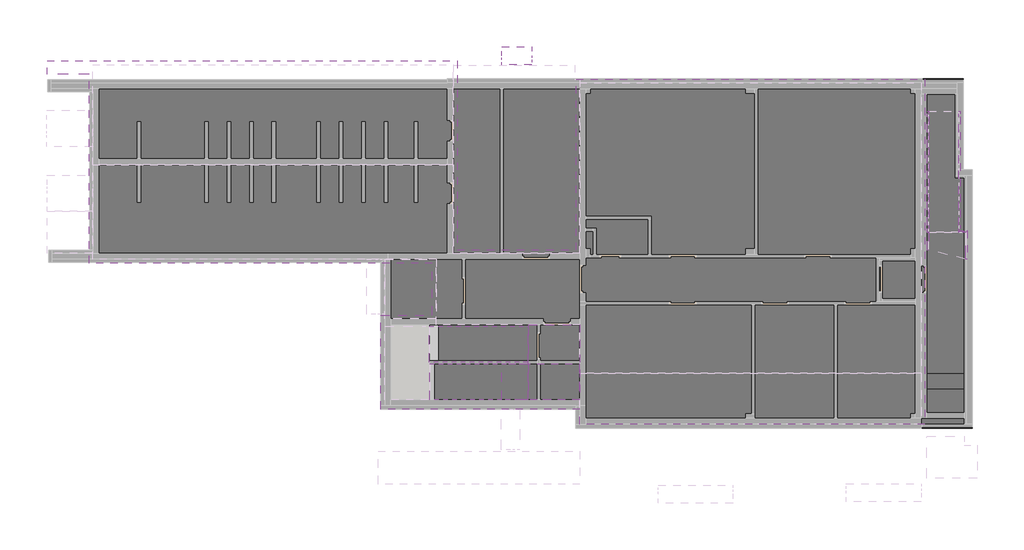
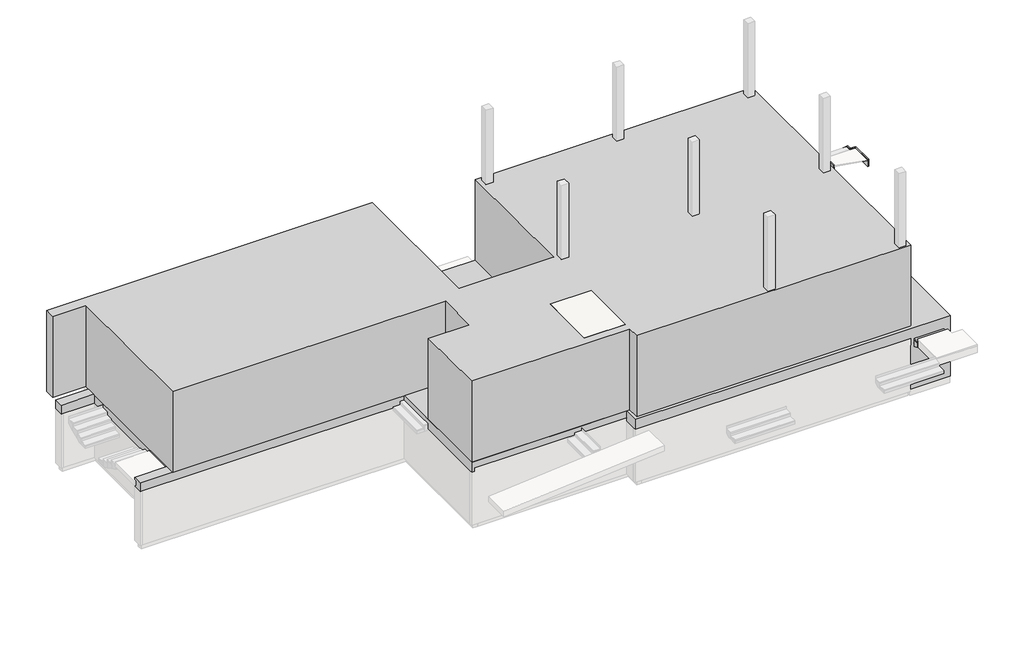
# One storey, part 3 of 3: 5 members, 5 stair flights, 2 proxies, 2 slabs.
"""IFC4 building model written with IfcOpenShell, lengths in millimetres."""

import ifcopenshell
import ifcopenshell.guid

model = None  # the IFC model being written
_history = None  # IfcOwnerHistory: only IFC2X3 demands one
_inside = {}  # id of a spatial element -> (the spatial element, [elements in it])
_under = {}  # id of a project, library or spatial element -> (it, [spatial elements below it])
_declared = {}  # id of a project -> (the project, [libraries it declares])
_typed = {}  # id of a type object -> (the type object, [elements of that type])
_made_of = {}  # id of a material, layer set ... -> (it, [elements and type objects made of it])


def new_model(schema):
    """Start an empty IFC model of exactly this schema.

    Asked for "IFC4X3", IfcOpenShell would pick the latest addendum, in which some entities
    have other attributes; the version numbers below select the first issue.
    IFC2X3 requires an IfcOwnerHistory on every rooted entity: one is made here for all.
    """
    global model, _history
    if schema == "IFC4X3":
        model = ifcopenshell.file(schema_version=(4, 3, 0, 0))
    else:
        model = ifcopenshell.file(schema=schema)
    _inside.clear()
    _under.clear()
    _declared.clear()
    _typed.clear()
    _made_of.clear()
    _history = None
    if model.schema == "IFC2X3":
        org = make("IfcOrganization", Name="unknown")
        user = make(
            "IfcPersonAndOrganization",
            ThePerson=make("IfcPerson", FamilyName="unknown"),
            TheOrganization=org,
        )
        app = make(
            "IfcApplication",
            ApplicationDeveloper=org,
            Version="unknown",
            ApplicationFullName="unknown",
            ApplicationIdentifier="unknown",
        )
        _history = make(
            "IfcOwnerHistory",
            OwningUser=user,
            OwningApplication=app,
            ChangeAction="ADDED",
            CreationDate=0,
        )
    return model


def make(cls, **values):
    """One entity of the class cls with the attributes given. An attribute that is None is left unset."""
    return model.create_entity(
        cls, **{name: value for name, value in values.items() if value is not None}
    )


def rooted(cls, **values):
    """An entity with a GlobalId (a new one), such as an element, a storey or a relation."""
    return make(cls, GlobalId=ifcopenshell.guid.new(), OwnerHistory=_history, **values)


def si_unit(unit_type, name, prefix=None):
    """IfcSIUnit, for example si_unit("LENGTHUNIT", "METRE", prefix="MILLI")."""
    return make("IfcSIUnit", UnitType=unit_type, Prefix=prefix, Name=name)


def assignment(units):
    """IfcUnitAssignment: the units of a project."""
    return None if units is None else make("IfcUnitAssignment", Units=units)


def point(xyz):
    """IfcCartesianPoint."""
    return None if xyz is None else make("IfcCartesianPoint", Coordinates=xyz)


def direction(xyz):
    """IfcDirection."""
    return None if xyz is None else make("IfcDirection", DirectionRatios=xyz)


def frame(location, z_axis=None, x_axis=None):
    """IfcAxis2Placement3D, a coordinate frame: its origin and axes. An axis left out is left unset."""
    return make(
        "IfcAxis2Placement3D",
        Location=point(location),
        Axis=direction(z_axis),
        RefDirection=direction(x_axis),
    )


def origin():
    """The frame at (0, 0, 0) with its axes left unset."""
    return frame((0.0, 0.0, 0.0))


def origin_with_axes():
    """The frame at (0, 0, 0) with the z axis (0, 0, 1) and the x axis (1, 0, 0) written out."""
    return frame((0.0, 0.0, 0.0), z_axis=(0.0, 0.0, 1.0), x_axis=(1.0, 0.0, 0.0))


def place(relative_to, where):
    """IfcLocalPlacement: puts the frame where relative to a parent placement (None: the world)."""
    return make(
        "IfcLocalPlacement", PlacementRelTo=relative_to, RelativePlacement=where
    )


def context(
    kind, dimensions, precision=None, world=None, true_north=None, identifier=None
):
    """IfcGeometricRepresentationContext, for example the 3D "Model" context."""
    return make(
        "IfcGeometricRepresentationContext",
        ContextIdentifier=identifier,
        ContextType=kind,
        CoordinateSpaceDimension=dimensions,
        Precision=precision,
        WorldCoordinateSystem=world,
        TrueNorth=true_north,
    )


def project(units=None, contexts=None):
    """IfcProject with its units and contexts."""
    return rooted(
        "IfcProject",
        Name="project",
        RepresentationContexts=contexts,
        UnitsInContext=assignment(units),
    )


def spatial(cls, under=None, at=None, **own):
    """A site, building, storey or space (cls), placed at a placement, below another one or the project."""
    s = rooted(cls, ObjectPlacement=at, **own)
    if under is not None:
        _under.setdefault(under.id(), (under, []))[1].append(s)
    return s


def polyline(points):
    """IfcPolyline through the points."""
    return make("IfcPolyline", Points=[point(p) for p in points])


def outline(outer, holes=None, kind="AREA"):
    """IfcArbitraryClosedProfileDef: a profile drawn as a closed curve; with holes, ...WithVoids."""
    if holes is None:
        return make("IfcArbitraryClosedProfileDef", ProfileType=kind, OuterCurve=outer)
    return make(
        "IfcArbitraryProfileDefWithVoids",
        ProfileType=kind,
        OuterCurve=outer,
        InnerCurves=holes,
    )


def extrude(swept, where, along, depth):
    """IfcExtrudedAreaSolid: the profile swept, set in the frame where, extruded along a direction by depth."""
    return make(
        "IfcExtrudedAreaSolid",
        SweptArea=swept,
        Position=where,
        ExtrudedDirection=direction(along),
        Depth=depth,
    )


def faces_of(points, faces, orient=None, outer=None):
    """IfcFace entities. A face is a list of loops; a loop is a list of indices into points, from 0.

    orient and outer hold one flag for each loop. By default every Orientation is true, the
    first loop of a face is its IfcFaceOuterBound and the others are IfcFaceBound.
    """
    made = []
    for i, loops in enumerate(faces):
        bounds = []
        for j, loop in enumerate(loops):
            is_outer = j == 0 if outer is None else outer[i][j]
            bounds.append(
                make(
                    "IfcFaceOuterBound" if is_outer else "IfcFaceBound",
                    Bound=make("IfcPolyLoop", Polygon=[points[k] for k in loop]),
                    Orientation=True if orient is None else orient[i][j],
                )
            )
        made.append(make("IfcFace", Bounds=bounds))
    return made


def faceted_brep(points, faces, orient=None, outer=None, voids=None):
    """IfcFacetedBrep: a solid bounded by flat faces; with voids (closed shells), ...WithVoids."""
    shared = [point(p) for p in points]
    hull = make("IfcClosedShell", CfsFaces=faces_of(shared, faces, orient, outer))
    if voids is None:
        return make("IfcFacetedBrep", Outer=hull)
    return make(
        "IfcFacetedBrepWithVoids",
        Outer=hull,
        Voids=[
            make(cls, CfsFaces=faces_of(shared, fs, o, b)) for cls, fs, o, b in voids
        ],
    )


def shape(context_of_items, identifier, shape_type, items):
    """IfcShapeRepresentation: the items that make up one representation, for example the "Body"."""
    return make(
        "IfcShapeRepresentation",
        ContextOfItems=context_of_items,
        RepresentationIdentifier=identifier,
        RepresentationType=shape_type,
        Items=items,
    )


def made_of(thing, what):
    """Note that an element or type object is made of a material, layer set ...; save() writes the relation."""
    if what is not None:
        _made_of.setdefault(what.id(), (what, []))[1].append(thing)
    return thing


def element(
    cls,
    number,
    at=None,
    inside=None,
    cuts=None,
    type_object=None,
    material=None,
    context=None,
    identifier="Body",
    shape_type=None,
    held_by="IfcProductDefinitionShape",
    body=None,
    shapes=None,
    **own,
):
    """One element of the class cls, such as IfcWall. Its Tag is "e" and its number.

    at: its placement. inside: the storey or other place that contains it. cuts: it is an
    opening in that element (IfcRelVoidsElement). A single representation is given by context,
    identifier, shape_type and body (its items); several are given by shapes. held_by: the class
    of the entity that holds the representations. save() writes the other relations.
    """
    e = rooted(cls, Tag="e%d" % number, ObjectPlacement=at, **own)
    if body is not None:
        shapes = [shape(context, identifier, shape_type, body)]
    if shapes is not None:
        e.Representation = make(held_by, Representations=shapes)
    if inside is not None:
        _inside.setdefault(inside.id(), (inside, []))[1].append(e)
    if cuts is not None:
        rooted(
            "IfcRelVoidsElement", RelatingBuildingElement=cuts, RelatedOpeningElement=e
        )
    if type_object is not None:
        _typed.setdefault(type_object.id(), (type_object, []))[1].append(e)
    return made_of(e, material)


def aggregate(whole, parts):
    """IfcRelAggregates: a whole, such as a stair, and the parts it consists of."""
    return rooted("IfcRelAggregates", RelatingObject=whole, RelatedObjects=parts)


def save(model, path):
    """Write the relations noted so far, then the file.

    IfcRelAggregates (storeys below a building ...), IfcRelContainedInSpatialStructure (elements
    in a storey), IfcRelDefinesByType, IfcRelAssociatesMaterial and IfcRelDeclares: one each for
    every whole, place, type object, material and project.
    """
    for whole, parts in _under.values():
        aggregate(whole, parts)
    for where, things in _inside.values():
        rooted(
            "IfcRelContainedInSpatialStructure",
            RelatedElements=things,
            RelatingStructure=where,
        )
    for kind, things in _typed.values():
        rooted("IfcRelDefinesByType", RelatedObjects=things, RelatingType=kind)
    for what, things in _made_of.values():
        rooted("IfcRelAssociatesMaterial", RelatedObjects=things, RelatingMaterial=what)
    for by, libraries in _declared.values():
        rooted("IfcRelDeclares", RelatingContext=by, RelatedDefinitions=libraries)
    model.write(path)


model = new_model("IFC4")

# Units and contexts
model_context = context("Model", 3, world=origin())
ifc_project = project(units=[si_unit("LENGTHUNIT", "METRE", prefix="MILLI")], contexts=[model_context])

# Site, building, storey
site = spatial("IfcSite", under=ifc_project)
building = spatial("IfcBuilding", under=site)
storey = spatial("IfcBuildingStorey", under=building, Elevation=-2700.0)

# Proxies
placement = place(None, origin())
element("IfcBuildingElementProxy", 1, Name="Mass", at=placement, inside=storey, context=model_context, shape_type="SweptSolid", body=[
    extrude(outline(polyline([(-1715.9332962, 11310.0), (11970.0, 11310.0), (11970.0, 5000.0), (15950.0, 5000.0), (15950.0, 10700.0), (27587.9990554, 10700.0), (27587.9990554, -820.0), (16070.0, -820.0), (16070.0, -320.0), (9430.291724, -320.0), (9430.291724, 2820.0), (11150.0, 2820.0), (11150.0, 4560.0), (-320.0, 4560.0), (-320.0, 10870.0), (-1715.9332962, 10870.0), (-1715.9332962, 11310.0)])), origin_with_axes(), (0.0, 0.0, 1.0), 3600.0),
])
element("IfcBuildingElementProxy", 2, Name="Mass", at=placement, inside=storey, context=model_context, shape_type="SweptSolid", body=[
    extrude(outline(polyline([(-300.0, 10280.0000008), (-1699.9999755, 10280.0000008), (-1699.9999755, 10680.0000008), (11650.0, 10680.0000008), (11650.0, 10710.0000008), (28870.0001713, 10710.0000008), (28870.0001713, 7679.9999048), (29169.9999881, 7679.9999048), (29169.9999881, -950.0), (15940.0, -950.0), (15940.0, -330.0), (9420.291724, -330.0), (9420.291724, 4580.0), (-1669.8806043, 4580.0), (-1669.8806043, 4980.0), (-300.0, 4980.0), (-300.0, 10280.0000008)])), frame((0.0, 0.0, -2700.0), z_axis=(0.0, 0.0, 1.0), x_axis=(1.0, 0.0, 0.0)), (0.0, 0.0, 1.0), 2700.0),
])

# Members
element("IfcMember", 3, at=placement, inside=storey, context=model_context, shape_type="Brep", body=[
    faceted_brep([(28729.9990554, 9630.1367173, -50.0), (28779.9990554, 9630.1367173, -50.0), (28779.9990554, 9445.8842415, -50.0), (28729.9990554, 9445.8842415, -50.0), (28779.9990554, 5825.5100023, 3570.0), (28729.9990554, 5825.5100023, 3570.0), (28729.9990554, 5580.7367173, 3570.0), (28739.0617086, 5580.7367173, 3570.0), (28739.0617086, 5630.1367173, 3570.0), (28779.9990554, 5630.1367173, 3570.0), (28729.9990554, 9630.1367173, 187.6084916), (28779.9990554, 9630.1367173, 187.6084916), (28779.9990554, 5630.1367173, 3342.2781368), (28729.9990554, 5580.7367173, 3386.1957542), (28739.0617086, 5630.1367173, 3342.2781368), (28739.0617086, 5580.7367173, 3386.1957542)], [[[0, 1, 2, 3]], [[4, 5, 6, 7, 8, 9]], [[10, 11, 1, 0]], [[5, 4, 11, 10]], [[1, 11, 4, 9, 12, 2]], [[13, 3, 2, 12, 14, 15]], [[6, 5, 10, 0, 3, 13]], [[6, 13, 15, 7]], [[14, 8, 7, 15]], [[8, 14, 12, 9]]]),
])
element("IfcMember", 4, at=placement, inside=storey, context=model_context, shape_type="SweptSolid", body=[
    extrude(outline(polyline([(9630.1367173, 187.6084916), (9630.1367173, -50.0), (9445.8842415, -50.0), (5580.7367173, 3386.1957542), (5580.7367173, 3570.0), (5825.5100023, 3570.0), (9630.1367173, 187.6084916)])), frame((27679.9990554, 0.0, 0.0), z_axis=(1.0, 0.0, 0.0), x_axis=(0.0, 1.0, 0.0)), (0.0, 0.0, 1.0), 50.0),
])
element("IfcMember", 5, at=placement, inside=storey, context=model_context, shape_type="SweptSolid", body=[
    extrude(outline(polyline([(29009.0617086, 4690.3333696), (28959.0617086, 4690.3333696), (28959.0617086, 5580.1367173), (29009.0617086, 5630.1367173), (29009.0617086, 4690.3333696)])), frame((0.0, 0.0, 3270.0), z_axis=(0.0, 0.0, 1.0), x_axis=(1.0, 0.0, 0.0)), (0.0, 0.0, 1.0), 300.0),
])
element("IfcMember", 6, at=placement, inside=storey, context=model_context, shape_type="SweptSolid", body=[
    extrude(outline(polyline([(27679.9990554, 5580.1367173), (27729.9990554, 5580.1367173), (27729.9990554, 4987.6937015), (27679.9990554, 4987.6937015), (27679.9990554, 5580.1367173)])), frame((0.0, 0.0, 3270.0), z_axis=(0.0, 0.0, 1.0), x_axis=(1.0, 0.0, 0.0)), (0.0, 0.0, 1.0), 300.0),
])
element("IfcMember", 7, at=placement, inside=storey, context=model_context, shape_type="Brep", body=[
    faceted_brep([(28739.0617086, 5630.1367173, 3570.0), (28739.0617086, 5630.1367173, 3342.2781368), (28739.0617086, 5630.1367173, 3270.0), (28739.0617086, 5580.1367173, 3270.0), (28739.0617086, 5580.1367173, 3570.0), (28739.0617086, 5580.7367173, 3570.0), (28959.0617086, 5580.1367173, 3570.0), (29009.0617086, 5630.1367173, 3570.0), (28779.9990554, 5630.1367173, 3570.0), (28959.0617086, 5580.1367173, 3270.0), (29009.0617086, 5630.1367173, 3270.0)], [[[0, 1, 2, 3, 4, 5]], [[6, 7, 8, 0, 5, 4]], [[9, 6, 4, 3]], [[10, 9, 3, 2]], [[7, 10, 2, 1, 0, 8]], [[7, 6, 9, 10]]]),
])

# Slabs
element("IfcSlab", 8, at=placement, inside=storey, context=model_context, shape_type="Brep", body=[
    faceted_brep([(14355.5759675, 1200.0, 3600.0), (14355.5759675, 0.0, 3600.0), (14590.9861641, 0.0, 3600.0), (16075.5759675, 0.0, 3600.0), (16075.5759675, 2500.0, 3600.0), (14355.5759675, 2500.0, 3600.0), (14355.5759675, 0.0, 3450.0), (14355.5759675, 0.0, 3282.2949017), (14590.9861641, 0.0, 3400.0), (16075.5759675, 0.0, 3400.0), (16075.5759675, 2500.0, 3400.0), (14355.5759675, 2500.0, 3400.0), (14590.9861641, 1200.0, 3400.0), (14355.5759675, 1200.0, 3400.0), (14355.5759675, 1200.0, 3282.2949017)], [[[0, 1, 2, 3, 4, 5]], [[1, 6, 7, 8, 9, 3, 2]], [[4, 3, 9, 10]], [[5, 4, 10, 11]], [[8, 12, 13, 11, 10, 9]], [[1, 0, 13, 14, 7, 6]], [[0, 5, 11, 13]], [[12, 8, 7, 14]], [[13, 12, 14]]]),
])
element("IfcSlab", 9, at=placement, inside=storey, context=model_context, shape_type="SolidModel", body=[
    faceted_brep([(13468.0759675, 1200.0, -50.0), (13468.0759675, 0.0, -50.0), (13703.4861641, 0.0, -50.0), (16055.5759675, 0.0, -50.0), (16055.5759675, 1200.0, -50.0), (13703.4861641, 1200.0, -50.0), (13468.0759675, 0.0, -200.0), (13468.0759675, 0.0, -367.7050983), (13703.4861641, 0.0, -250.0), (16055.5759675, 0.0, -250.0), (16055.5759675, 1200.0, -250.0), (13468.0759675, 1200.0, -367.7050983), (13468.0759675, 1200.0, -200.0), (13703.4861641, 1200.0, -250.0)], [[[0, 1, 2, 3, 4, 5]], [[1, 6, 7, 8, 9, 3, 2]], [[4, 3, 9, 10]], [[11, 12, 0, 5, 4, 10, 13]], [[8, 13, 10, 9]], [[1, 0, 12, 11, 7, 6]], [[13, 8, 7, 11]]]),
    extrude(outline(polyline([(13455.5759675, 1200.0), (16055.5759675, 1200.0), (16055.5759675, 0.0), (13455.5759675, 0.0), (13455.5759675, 1200.0)])), frame((0.0, 0.0, -50.0), z_axis=(0.0, 0.0, 1.0), x_axis=(1.0, 0.0, 0.0)), (0.0, 0.0, 1.0), 50.0),
])

# Stair flights
element("IfcStairFlight", 10, at=placement, inside=storey, context=model_context, shape_type="SolidModel", body=[
    faceted_brep([(28904.9999881, 2957.4999994, -2603.125), (28904.9999881, 3257.4999994, -2603.125), (27649.9990554, 3257.4999994, -2603.125), (27649.9990554, 2957.4999994, -2603.125), (28904.9999881, 2957.4999994, -2700.0), (28904.9999881, 3257.4999994, -2700.0), (27649.9990554, 3257.4999994, -2700.0), (27649.9990554, 2957.4999994, -2700.0), (28904.9999881, 2657.4999994, -2456.25), (28904.9999881, 2957.4999994, -2456.25), (27649.9990554, 2957.4999994, -2456.25), (27649.9990554, 2657.4999994, -2456.25), (28904.9999881, 2657.4999994, -2623.2621744), (28904.9999881, 2814.2410899, -2700.0), (27649.9990554, 2814.2410899, -2700.0), (27649.9990554, 2657.4999994, -2623.2621744), (28904.9999881, 2357.4999994, -2309.375), (28904.9999881, 2657.4999994, -2309.375), (27649.9990554, 2657.4999994, -2309.375), (27649.9990554, 2357.4999994, -2309.375), (28904.9999881, 2357.4999994, -2476.3871744), (27649.9990554, 2357.4999994, -2476.3871744), (28904.9999881, 2057.4999994, -2162.5), (28904.9999881, 2357.4999994, -2162.5), (27649.9990554, 2357.4999994, -2162.5), (27649.9990554, 2057.4999994, -2162.5), (28904.9999881, 2057.4999994, -2329.5121744), (27649.9990554, 2057.4999994, -2329.5121744), (28904.9999881, 1757.4999994, -2015.625), (28904.9999881, 2057.4999994, -2015.625), (27649.9990554, 2057.4999994, -2015.625), (27649.9990554, 1757.4999994, -2015.625), (28904.9999881, 1757.4999994, -2182.6371744), (27649.9990554, 1757.4999994, -2182.6371744), (28904.9999881, 1457.4999994, -1868.75), (28904.9999881, 1757.4999994, -1868.75), (27649.9990554, 1757.4999994, -1868.75), (27649.9990554, 1457.4999994, -1868.75), (28904.9999881, 1457.4999994, -2035.7621744), (27649.9990554, 1457.4999994, -2035.7621744), (28904.9999881, 1157.4999994, -1721.875), (28904.9999881, 1457.4999994, -1721.875), (27649.9990554, 1457.4999994, -1721.875), (27649.9990554, 1157.4999994, -1721.875), (28904.9999881, 1157.4999994, -1888.8871744), (27649.9990554, 1157.4999994, -1888.8871744), (28904.9999881, 857.4999994, -1575.0), (28904.9999881, 1157.4999994, -1575.0), (27649.9990554, 1157.4999994, -1575.0), (27649.9990554, 857.4999994, -1575.0), (28904.9999881, 857.4999994, -1742.0121744), (27649.9990554, 857.4999994, -1742.0121744), (28904.9999881, 557.4999994, -1428.125), (28904.9999881, 857.4999994, -1428.125), (27649.9990554, 857.4999994, -1428.125), (27649.9990554, 557.4999994, -1428.125), (28904.9999881, 557.4999994, -1595.1371744), (27649.9990554, 557.4999994, -1595.1371744), (28904.9999881, 257.4999994, -1281.25), (28904.9999881, 557.4999994, -1281.25), (27649.9990554, 557.4999994, -1281.25), (27649.9990554, 257.4999994, -1281.25), (28904.9999881, 257.4999994, -1448.2621744), (27649.9990554, 257.4999994, -1448.2621744), (28904.9999881, -42.5000006, -1134.375), (28904.9999881, 257.4999994, -1134.375), (27649.9990554, 257.4999994, -1134.375), (27649.9990554, -42.5000006, -1134.375), (28904.9999881, -42.5000006, -1301.3871744), (27649.9990554, -42.5000006, -1301.3871744), (28904.9999881, -342.5000006, -987.5), (28904.9999881, -42.5000006, -987.5), (27649.9990554, -42.5000006, -987.5), (27649.9990554, -342.5000006, -987.5), (28904.9999881, -342.5000006, -1154.5121744), (27649.9990554, -342.5000006, -1154.5121744), (28904.9999881, -642.5000006, -840.625), (28904.9999881, -342.5000006, -840.625), (27649.9990554, -342.5000006, -840.625), (27649.9990554, -642.5000006, -840.625), (28904.9999881, -642.5000006, -1007.6371744), (27649.9990554, -642.5000006, -1007.6371744), (28904.9999881, -942.5000006, -693.75), (28904.9999881, -642.5000006, -693.75), (27649.9990554, -642.5000006, -693.75), (27649.9990554, -942.5000006, -693.75), (28904.9999881, -942.5000006, -860.7621744), (27649.9990554, -942.5000006, -860.7621744), (28904.9999881, -942.5000006, -546.875), (27649.9990554, -942.5000006, -546.875), (27649.9990554, -1230.0000006, -546.875), (27649.9990554, -1242.5000006, -546.875), (28904.9999881, -1242.5000006, -546.875), (28904.9999881, -1230.0000006, -546.875), (28904.9999881, -1242.5000006, -713.8871744), (28904.9999881, -1230.0000006, -720.0069661), (27649.9990554, -1230.0000006, -720.0069661), (27649.9990554, -1242.5000006, -713.8871744)], [[[0, 1, 2, 3]], [[1, 0, 4, 5]], [[2, 1, 5, 6]], [[3, 2, 6, 7]], [[8, 9, 10, 11]], [[4, 0, 9, 8, 12, 13]], [[0, 3, 10, 9]], [[3, 7, 14, 15, 11, 10]], [[16, 17, 18, 19]], [[17, 16, 20, 12, 8]], [[8, 11, 18, 17]], [[19, 18, 11, 15, 21]], [[22, 23, 24, 25]], [[23, 22, 26, 20, 16]], [[16, 19, 24, 23]], [[25, 24, 19, 21, 27]], [[28, 29, 30, 31]], [[29, 28, 32, 26, 22]], [[22, 25, 30, 29]], [[31, 30, 25, 27, 33]], [[34, 35, 36, 37]], [[35, 34, 38, 32, 28]], [[28, 31, 36, 35]], [[37, 36, 31, 33, 39]], [[40, 41, 42, 43]], [[41, 40, 44, 38, 34]], [[34, 37, 42, 41]], [[43, 42, 37, 39, 45]], [[46, 47, 48, 49]], [[47, 46, 50, 44, 40]], [[40, 43, 48, 47]], [[49, 48, 43, 45, 51]], [[52, 53, 54, 55]], [[53, 52, 56, 50, 46]], [[46, 49, 54, 53]], [[55, 54, 49, 51, 57]], [[58, 59, 60, 61]], [[59, 58, 62, 56, 52]], [[52, 55, 60, 59]], [[61, 60, 55, 57, 63]], [[64, 65, 66, 67]], [[65, 64, 68, 62, 58]], [[58, 61, 66, 65]], [[67, 66, 61, 63, 69]], [[70, 71, 72, 73]], [[71, 70, 74, 68, 64]], [[64, 67, 72, 71]], [[73, 72, 67, 69, 75]], [[76, 77, 78, 79]], [[77, 76, 80, 74, 70]], [[70, 73, 78, 77]], [[79, 78, 73, 75, 81]], [[82, 83, 84, 85]], [[83, 82, 86, 80, 76]], [[76, 79, 84, 83]], [[85, 84, 79, 81, 87]], [[88, 89, 90, 91, 92, 93]], [[82, 88, 93, 92, 94, 95, 86]], [[82, 85, 89, 88]], [[89, 85, 87, 96, 97, 91, 90]], [[92, 91, 97, 94]], [[5, 4, 13, 14, 7, 6]], [[14, 13, 12, 20, 26, 32, 38, 44, 50, 56, 62, 68, 74, 80, 86, 95, 94, 97, 96, 87, 81, 75, 69, 63, 57, 51, 45, 39, 33, 27, 21, 15]]]),
    extrude(outline(polyline([(27649.9990554, 3257.4999994), (27649.9990554, 3269.9999994), (28904.9999881, 3269.9999994), (28904.9999881, 3257.4999994), (27649.9990554, 3257.4999994)])), frame((0.0, 0.0, -2700.0), z_axis=(0.0, 0.0, 1.0), x_axis=(1.0, 0.0, 0.0)), (0.0, 0.0, 1.0), 96.875),
    extrude(outline(polyline([(28904.9999881, 2969.9999994), (27649.9990554, 2969.9999994), (27649.9990554, 3269.9999994), (28904.9999881, 3269.9999994), (28904.9999881, 2969.9999994)])), frame((0.0, 0.0, -2603.125), z_axis=(0.0, 0.0, 1.0), x_axis=(1.0, 0.0, 0.0)), (0.0, 0.0, 1.0), 50.0),
    extrude(outline(polyline([(27649.9990554, 2957.4999994), (27649.9990554, 2969.9999994), (28904.9999881, 2969.9999994), (28904.9999881, 2957.4999994), (27649.9990554, 2957.4999994)])), frame((0.0, 0.0, -2603.125), z_axis=(0.0, 0.0, 1.0), x_axis=(1.0, 0.0, 0.0)), (0.0, 0.0, 1.0), 146.875),
    extrude(outline(polyline([(28904.9999881, 2669.9999994), (27649.9990554, 2669.9999994), (27649.9990554, 2969.9999994), (28904.9999881, 2969.9999994), (28904.9999881, 2669.9999994)])), frame((0.0, 0.0, -2456.25), z_axis=(0.0, 0.0, 1.0), x_axis=(1.0, 0.0, 0.0)), (0.0, 0.0, 1.0), 50.0),
    extrude(outline(polyline([(27649.9990554, 2657.4999994), (27649.9990554, 2669.9999994), (28904.9999881, 2669.9999994), (28904.9999881, 2657.4999994), (27649.9990554, 2657.4999994)])), frame((0.0, 0.0, -2456.25), z_axis=(0.0, 0.0, 1.0), x_axis=(1.0, 0.0, 0.0)), (0.0, 0.0, 1.0), 146.875),
    extrude(outline(polyline([(28904.9999881, 2369.9999994), (27649.9990554, 2369.9999994), (27649.9990554, 2669.9999994), (28904.9999881, 2669.9999994), (28904.9999881, 2369.9999994)])), frame((0.0, 0.0, -2309.375), z_axis=(0.0, 0.0, 1.0), x_axis=(1.0, 0.0, 0.0)), (0.0, 0.0, 1.0), 50.0),
    extrude(outline(polyline([(27649.9990554, 2357.4999994), (27649.9990554, 2369.9999994), (28904.9999881, 2369.9999994), (28904.9999881, 2357.4999994), (27649.9990554, 2357.4999994)])), frame((0.0, 0.0, -2309.375), z_axis=(0.0, 0.0, 1.0), x_axis=(1.0, 0.0, 0.0)), (0.0, 0.0, 1.0), 146.875),
    extrude(outline(polyline([(28904.9999881, 2069.9999994), (27649.9990554, 2069.9999994), (27649.9990554, 2369.9999994), (28904.9999881, 2369.9999994), (28904.9999881, 2069.9999994)])), frame((0.0, 0.0, -2162.5), z_axis=(0.0, 0.0, 1.0), x_axis=(1.0, 0.0, 0.0)), (0.0, 0.0, 1.0), 50.0),
    extrude(outline(polyline([(27649.9990554, 2057.4999994), (27649.9990554, 2069.9999994), (28904.9999881, 2069.9999994), (28904.9999881, 2057.4999994), (27649.9990554, 2057.4999994)])), frame((0.0, 0.0, -2162.5), z_axis=(0.0, 0.0, 1.0), x_axis=(1.0, 0.0, 0.0)), (0.0, 0.0, 1.0), 146.875),
    extrude(outline(polyline([(28904.9999881, 1769.9999994), (27649.9990554, 1769.9999994), (27649.9990554, 2069.9999994), (28904.9999881, 2069.9999994), (28904.9999881, 1769.9999994)])), frame((0.0, 0.0, -2015.625), z_axis=(0.0, 0.0, 1.0), x_axis=(1.0, 0.0, 0.0)), (0.0, 0.0, 1.0), 50.0),
    extrude(outline(polyline([(27649.9990554, 1757.4999994), (27649.9990554, 1769.9999994), (28904.9999881, 1769.9999994), (28904.9999881, 1757.4999994), (27649.9990554, 1757.4999994)])), frame((0.0, 0.0, -2015.625), z_axis=(0.0, 0.0, 1.0), x_axis=(1.0, 0.0, 0.0)), (0.0, 0.0, 1.0), 146.875),
    extrude(outline(polyline([(28904.9999881, 1469.9999994), (27649.9990554, 1469.9999994), (27649.9990554, 1769.9999994), (28904.9999881, 1769.9999994), (28904.9999881, 1469.9999994)])), frame((0.0, 0.0, -1868.75), z_axis=(0.0, 0.0, 1.0), x_axis=(1.0, 0.0, 0.0)), (0.0, 0.0, 1.0), 50.0),
    extrude(outline(polyline([(27649.9990554, 1457.4999994), (27649.9990554, 1469.9999994), (28904.9999881, 1469.9999994), (28904.9999881, 1457.4999994), (27649.9990554, 1457.4999994)])), frame((0.0, 0.0, -1868.75), z_axis=(0.0, 0.0, 1.0), x_axis=(1.0, 0.0, 0.0)), (0.0, 0.0, 1.0), 146.875),
    extrude(outline(polyline([(28904.9999881, 1169.9999994), (27649.9990554, 1169.9999994), (27649.9990554, 1469.9999994), (28904.9999881, 1469.9999994), (28904.9999881, 1169.9999994)])), frame((0.0, 0.0, -1721.875), z_axis=(0.0, 0.0, 1.0), x_axis=(1.0, 0.0, 0.0)), (0.0, 0.0, 1.0), 50.0),
    extrude(outline(polyline([(27649.9990554, 1157.4999994), (27649.9990554, 1169.9999994), (28904.9999881, 1169.9999994), (28904.9999881, 1157.4999994), (27649.9990554, 1157.4999994)])), frame((0.0, 0.0, -1721.875), z_axis=(0.0, 0.0, 1.0), x_axis=(1.0, 0.0, 0.0)), (0.0, 0.0, 1.0), 146.875),
    extrude(outline(polyline([(28904.9999881, 869.9999994), (27649.9990554, 869.9999994), (27649.9990554, 1169.9999994), (28904.9999881, 1169.9999994), (28904.9999881, 869.9999994)])), frame((0.0, 0.0, -1575.0), z_axis=(0.0, 0.0, 1.0), x_axis=(1.0, 0.0, 0.0)), (0.0, 0.0, 1.0), 50.0),
    extrude(outline(polyline([(27649.9990554, 857.4999994), (27649.9990554, 869.9999994), (28904.9999881, 869.9999994), (28904.9999881, 857.4999994), (27649.9990554, 857.4999994)])), frame((0.0, 0.0, -1575.0), z_axis=(0.0, 0.0, 1.0), x_axis=(1.0, 0.0, 0.0)), (0.0, 0.0, 1.0), 146.875),
    extrude(outline(polyline([(28904.9999881, 569.9999994), (27649.9990554, 569.9999994), (27649.9990554, 869.9999994), (28904.9999881, 869.9999994), (28904.9999881, 569.9999994)])), frame((0.0, 0.0, -1428.125), z_axis=(0.0, 0.0, 1.0), x_axis=(1.0, 0.0, 0.0)), (0.0, 0.0, 1.0), 50.0),
    extrude(outline(polyline([(27649.9990554, 557.4999994), (27649.9990554, 569.9999994), (28904.9999881, 569.9999994), (28904.9999881, 557.4999994), (27649.9990554, 557.4999994)])), frame((0.0, 0.0, -1428.125), z_axis=(0.0, 0.0, 1.0), x_axis=(1.0, 0.0, 0.0)), (0.0, 0.0, 1.0), 146.875),
    extrude(outline(polyline([(28904.9999881, 269.9999994), (27649.9990554, 269.9999994), (27649.9990554, 569.9999994), (28904.9999881, 569.9999994), (28904.9999881, 269.9999994)])), frame((0.0, 0.0, -1281.25), z_axis=(0.0, 0.0, 1.0), x_axis=(1.0, 0.0, 0.0)), (0.0, 0.0, 1.0), 50.0),
    extrude(outline(polyline([(27649.9990554, 257.4999994), (27649.9990554, 269.9999994), (28904.9999881, 269.9999994), (28904.9999881, 257.4999994), (27649.9990554, 257.4999994)])), frame((0.0, 0.0, -1281.25), z_axis=(0.0, 0.0, 1.0), x_axis=(1.0, 0.0, 0.0)), (0.0, 0.0, 1.0), 146.875),
    extrude(outline(polyline([(28904.9999881, -30.0000006), (27649.9990554, -30.0000006), (27649.9990554, 269.9999994), (28904.9999881, 269.9999994), (28904.9999881, -30.0000006)])), frame((0.0, 0.0, -1134.375), z_axis=(0.0, 0.0, 1.0), x_axis=(1.0, 0.0, 0.0)), (0.0, 0.0, 1.0), 50.0),
    extrude(outline(polyline([(27649.9990554, -42.5000006), (27649.9990554, -30.0000006), (28904.9999881, -30.0000006), (28904.9999881, -42.5000006), (27649.9990554, -42.5000006)])), frame((0.0, 0.0, -1134.375), z_axis=(0.0, 0.0, 1.0), x_axis=(1.0, 0.0, 0.0)), (0.0, 0.0, 1.0), 146.875),
    extrude(outline(polyline([(28904.9999881, -330.0000006), (27649.9990554, -330.0000006), (27649.9990554, -30.0000006), (28904.9999881, -30.0000006), (28904.9999881, -330.0000006)])), frame((0.0, 0.0, -987.5), z_axis=(0.0, 0.0, 1.0), x_axis=(1.0, 0.0, 0.0)), (0.0, 0.0, 1.0), 50.0),
    extrude(outline(polyline([(27649.9990554, -342.5000006), (27649.9990554, -330.0000006), (28904.9999881, -330.0000006), (28904.9999881, -342.5000006), (27649.9990554, -342.5000006)])), frame((0.0, 0.0, -987.5), z_axis=(0.0, 0.0, 1.0), x_axis=(1.0, 0.0, 0.0)), (0.0, 0.0, 1.0), 146.875),
    extrude(outline(polyline([(28904.9999881, -630.0000006), (27649.9990554, -630.0000006), (27649.9990554, -330.0000006), (28904.9999881, -330.0000006), (28904.9999881, -630.0000006)])), frame((0.0, 0.0, -840.625), z_axis=(0.0, 0.0, 1.0), x_axis=(1.0, 0.0, 0.0)), (0.0, 0.0, 1.0), 50.0),
    extrude(outline(polyline([(27649.9990554, -642.5000006), (27649.9990554, -630.0000006), (28904.9999881, -630.0000006), (28904.9999881, -642.5000006), (27649.9990554, -642.5000006)])), frame((0.0, 0.0, -840.625), z_axis=(0.0, 0.0, 1.0), x_axis=(1.0, 0.0, 0.0)), (0.0, 0.0, 1.0), 146.875),
    extrude(outline(polyline([(28904.9999881, -930.0000006), (27649.9990554, -930.0000006), (27649.9990554, -630.0000006), (28904.9999881, -630.0000006), (28904.9999881, -930.0000006)])), frame((0.0, 0.0, -693.75), z_axis=(0.0, 0.0, 1.0), x_axis=(1.0, 0.0, 0.0)), (0.0, 0.0, 1.0), 50.0),
    extrude(outline(polyline([(27649.9990554, -942.5000006), (27649.9990554, -930.0000006), (28904.9999881, -930.0000006), (28904.9999881, -942.5000006), (27649.9990554, -942.5000006)])), frame((0.0, 0.0, -693.75), z_axis=(0.0, 0.0, 1.0), x_axis=(1.0, 0.0, 0.0)), (0.0, 0.0, 1.0), 146.875),
    extrude(outline(polyline([(27649.9990554, -1242.5000006), (27649.9990554, -1230.0000006), (28904.9999881, -1230.0000006), (28904.9999881, -1242.5000006), (27649.9990554, -1242.5000006)])), frame((0.0, 0.0, -546.875), z_axis=(0.0, 0.0, 1.0), x_axis=(1.0, 0.0, 0.0)), (0.0, 0.0, 1.0), 146.875),
    extrude(outline(polyline([(28904.9999881, -1230.0000006), (27649.9990554, -1230.0000006), (27649.9990554, -930.0000006), (28904.9999881, -930.0000006), (28904.9999881, -1230.0000006)])), frame((0.0, 0.0, -546.875), z_axis=(0.0, 0.0, 1.0), x_axis=(1.0, 0.0, 0.0)), (0.0, 0.0, 1.0), 50.0),
])
element("IfcStairFlight", 11, at=placement, inside=storey, context=model_context, shape_type="SolidModel", body=[
    faceted_brep([(13137.791724, 1300.0, -2600.0), (13437.791724, 1300.0, -2600.0), (13437.791724, 2500.0, -2600.0), (13137.791724, 2500.0, -2600.0), (13137.791724, 1300.0, -2700.0), (13437.791724, 1300.0, -2700.0), (13437.791724, 2500.0, -2700.0), (13137.791724, 2500.0, -2700.0), (12837.791724, 1300.0, -2450.0), (13137.791724, 1300.0, -2450.0), (13137.791724, 2500.0, -2450.0), (12837.791724, 2500.0, -2450.0), (12837.791724, 1300.0, -2617.7050983), (13002.3815273, 1300.0, -2700.0), (13002.3815273, 2500.0, -2700.0), (12837.791724, 2500.0, -2617.7050983), (12537.791724, 1300.0, -2300.0), (12837.791724, 1300.0, -2300.0), (12837.791724, 2500.0, -2300.0), (12537.791724, 2500.0, -2300.0), (12537.791724, 1300.0, -2467.7050983), (12537.791724, 2500.0, -2467.7050983), (12237.791724, 1300.0, -2150.0), (12537.791724, 1300.0, -2150.0), (12537.791724, 2500.0, -2150.0), (12237.791724, 2500.0, -2150.0), (12237.791724, 1300.0, -2317.7050983), (12237.791724, 2500.0, -2317.7050983), (11937.791724, 1300.0, -2000.0), (12237.791724, 1300.0, -2000.0), (12237.791724, 2500.0, -2000.0), (11937.791724, 2500.0, -2000.0), (11937.791724, 1300.0, -2167.7050983), (11937.791724, 2500.0, -2167.7050983), (11637.791724, 1300.0, -1850.0), (11937.791724, 1300.0, -1850.0), (11937.791724, 2500.0, -1850.0), (11637.791724, 2500.0, -1850.0), (11637.791724, 1300.0, -2017.7050983), (11637.791724, 2500.0, -2017.7050983), (11337.791724, 1300.0, -1700.0), (11637.791724, 1300.0, -1700.0), (11637.791724, 2500.0, -1700.0), (11337.791724, 2500.0, -1700.0), (11337.791724, 1300.0, -1867.7050983), (11337.791724, 2500.0, -1867.7050983), (11337.791724, 1300.0, -1550.0), (11337.791724, 2500.0, -1550.0), (11050.291724, 2500.0, -1550.0), (11037.791724, 2500.0, -1550.0), (11037.791724, 1300.0, -1550.0), (11050.291724, 1300.0, -1550.0), (11037.791724, 1300.0, -1600.0), (11037.791724, 1300.0, -1717.7050983), (11050.291724, 2500.0, -1723.9550983), (11037.791724, 2500.0, -1717.7050983)], [[[0, 1, 2, 3]], [[1, 0, 4, 5]], [[2, 1, 5, 6]], [[3, 2, 6, 7]], [[8, 9, 10, 11]], [[4, 0, 9, 8, 12, 13]], [[0, 3, 10, 9]], [[3, 7, 14, 15, 11, 10]], [[16, 17, 18, 19]], [[17, 16, 20, 12, 8]], [[8, 11, 18, 17]], [[19, 18, 11, 15, 21]], [[22, 23, 24, 25]], [[23, 22, 26, 20, 16]], [[16, 19, 24, 23]], [[25, 24, 19, 21, 27]], [[28, 29, 30, 31]], [[29, 28, 32, 26, 22]], [[22, 25, 30, 29]], [[31, 30, 25, 27, 33]], [[34, 35, 36, 37]], [[35, 34, 38, 32, 28]], [[28, 31, 36, 35]], [[37, 36, 31, 33, 39]], [[40, 41, 42, 43]], [[41, 40, 44, 38, 34]], [[34, 37, 42, 41]], [[43, 42, 37, 39, 45]], [[46, 47, 48, 49, 50, 51]], [[40, 46, 51, 50, 52, 53, 44]], [[40, 43, 47, 46]], [[47, 43, 45, 54, 55, 49, 48]], [[50, 49, 55, 53, 52]], [[5, 4, 13, 14, 7, 6]], [[14, 13, 12, 20, 26, 32, 38, 44, 53, 55, 54, 45, 39, 33, 27, 21, 15]]]),
    extrude(outline(polyline([(13437.791724, 2500.0), (13450.291724, 2500.0), (13450.291724, 1300.0), (13437.791724, 1300.0), (13437.791724, 2500.0)])), frame((0.0, 0.0, -2700.0), z_axis=(0.0, 0.0, 1.0), x_axis=(1.0, 0.0, 0.0)), (0.0, 0.0, 1.0), 100.0),
    extrude(outline(polyline([(13150.291724, 1300.0), (13150.291724, 2500.0), (13450.291724, 2500.0), (13450.291724, 1300.0), (13150.291724, 1300.0)])), frame((0.0, 0.0, -2600.0), z_axis=(0.0, 0.0, 1.0), x_axis=(1.0, 0.0, 0.0)), (0.0, 0.0, 1.0), 50.0),
    extrude(outline(polyline([(13137.791724, 2500.0), (13150.291724, 2500.0), (13150.291724, 1300.0), (13137.791724, 1300.0), (13137.791724, 2500.0)])), frame((0.0, 0.0, -2600.0), z_axis=(0.0, 0.0, 1.0), x_axis=(1.0, 0.0, 0.0)), (0.0, 0.0, 1.0), 150.0),
    extrude(outline(polyline([(12850.291724, 1300.0), (12850.291724, 2500.0), (13150.291724, 2500.0), (13150.291724, 1300.0), (12850.291724, 1300.0)])), frame((0.0, 0.0, -2450.0), z_axis=(0.0, 0.0, 1.0), x_axis=(1.0, 0.0, 0.0)), (0.0, 0.0, 1.0), 50.0),
    extrude(outline(polyline([(12837.791724, 2500.0), (12850.291724, 2500.0), (12850.291724, 1300.0), (12837.791724, 1300.0), (12837.791724, 2500.0)])), frame((0.0, 0.0, -2450.0), z_axis=(0.0, 0.0, 1.0), x_axis=(1.0, 0.0, 0.0)), (0.0, 0.0, 1.0), 150.0),
    extrude(outline(polyline([(12550.291724, 1300.0), (12550.291724, 2500.0), (12850.291724, 2500.0), (12850.291724, 1300.0), (12550.291724, 1300.0)])), frame((0.0, 0.0, -2300.0), z_axis=(0.0, 0.0, 1.0), x_axis=(1.0, 0.0, 0.0)), (0.0, 0.0, 1.0), 50.0),
    extrude(outline(polyline([(12537.791724, 2500.0), (12550.291724, 2500.0), (12550.291724, 1300.0), (12537.791724, 1300.0), (12537.791724, 2500.0)])), frame((0.0, 0.0, -2300.0), z_axis=(0.0, 0.0, 1.0), x_axis=(1.0, 0.0, 0.0)), (0.0, 0.0, 1.0), 150.0),
    extrude(outline(polyline([(12250.291724, 1300.0), (12250.291724, 2500.0), (12550.291724, 2500.0), (12550.291724, 1300.0), (12250.291724, 1300.0)])), frame((0.0, 0.0, -2150.0), z_axis=(0.0, 0.0, 1.0), x_axis=(1.0, 0.0, 0.0)), (0.0, 0.0, 1.0), 50.0),
    extrude(outline(polyline([(12237.791724, 2500.0), (12250.291724, 2500.0), (12250.291724, 1300.0), (12237.791724, 1300.0), (12237.791724, 2500.0)])), frame((0.0, 0.0, -2150.0), z_axis=(0.0, 0.0, 1.0), x_axis=(1.0, 0.0, 0.0)), (0.0, 0.0, 1.0), 150.0),
    extrude(outline(polyline([(11950.291724, 1300.0), (11950.291724, 2500.0), (12250.291724, 2500.0), (12250.291724, 1300.0), (11950.291724, 1300.0)])), frame((0.0, 0.0, -2000.0), z_axis=(0.0, 0.0, 1.0), x_axis=(1.0, 0.0, 0.0)), (0.0, 0.0, 1.0), 50.0),
    extrude(outline(polyline([(11937.791724, 2500.0), (11950.291724, 2500.0), (11950.291724, 1300.0), (11937.791724, 1300.0), (11937.791724, 2500.0)])), frame((0.0, 0.0, -2000.0), z_axis=(0.0, 0.0, 1.0), x_axis=(1.0, 0.0, 0.0)), (0.0, 0.0, 1.0), 150.0),
    extrude(outline(polyline([(11650.291724, 1300.0), (11650.291724, 2500.0), (11950.291724, 2500.0), (11950.291724, 1300.0), (11650.291724, 1300.0)])), frame((0.0, 0.0, -1850.0), z_axis=(0.0, 0.0, 1.0), x_axis=(1.0, 0.0, 0.0)), (0.0, 0.0, 1.0), 50.0),
    extrude(outline(polyline([(11637.791724, 2500.0), (11650.291724, 2500.0), (11650.291724, 1300.0), (11637.791724, 1300.0), (11637.791724, 2500.0)])), frame((0.0, 0.0, -1850.0), z_axis=(0.0, 0.0, 1.0), x_axis=(1.0, 0.0, 0.0)), (0.0, 0.0, 1.0), 150.0),
    extrude(outline(polyline([(11350.291724, 1300.0), (11350.291724, 2500.0), (11650.291724, 2500.0), (11650.291724, 1300.0), (11350.291724, 1300.0)])), frame((0.0, 0.0, -1700.0), z_axis=(0.0, 0.0, 1.0), x_axis=(1.0, 0.0, 0.0)), (0.0, 0.0, 1.0), 50.0),
    extrude(outline(polyline([(11337.791724, 2500.0), (11350.291724, 2500.0), (11350.291724, 1300.0), (11337.791724, 1300.0), (11337.791724, 2500.0)])), frame((0.0, 0.0, -1700.0), z_axis=(0.0, 0.0, 1.0), x_axis=(1.0, 0.0, 0.0)), (0.0, 0.0, 1.0), 150.0),
    extrude(outline(polyline([(11037.791724, 2500.0), (11050.291724, 2500.0), (11050.291724, 1300.0), (11037.791724, 1300.0), (11037.791724, 2500.0)])), frame((0.0, 0.0, -1550.0), z_axis=(0.0, 0.0, 1.0), x_axis=(1.0, 0.0, 0.0)), (0.0, 0.0, 1.0), 150.0),
    extrude(outline(polyline([(11050.291724, 1300.0), (11050.291724, 2500.0), (11350.291724, 2500.0), (11350.291724, 1300.0), (11050.291724, 1300.0)])), frame((0.0, 0.0, -1550.0), z_axis=(0.0, 0.0, 1.0), x_axis=(1.0, 0.0, 0.0)), (0.0, 0.0, 1.0), 50.0),
])
element("IfcStairFlight", 12, at=placement, inside=storey, context=model_context, shape_type="Brep", body=[
    faceted_brep([(14044.7036388, 1250.2996937, 150.0), (14344.7036388, 1250.2996937, 150.0), (14344.7036388, 2450.2996937, 150.0), (14044.7036388, 2450.2996937, 150.0), (14044.7036388, 1250.2996937, -17.7050983), (14309.2934422, 1250.2996937, -150.0), (14344.7036388, 1250.2996937, -150.0), (14344.7036388, 2450.2996937, -150.0), (14309.2934422, 2450.2996937, -150.0), (14044.7036388, 2450.2996937, -17.7050983), (13744.7036388, 1250.2996937, 300.0), (14044.7036388, 1250.2996937, 300.0), (14044.7036388, 2450.2996937, 300.0), (13744.7036388, 2450.2996937, 300.0), (13744.7036388, 1250.2996937, 132.2949017), (13744.7036388, 2450.2996937, 132.2949017), (13444.7036388, 1250.2996937, 450.0), (13744.7036388, 1250.2996937, 450.0), (13744.7036388, 2450.2996937, 450.0), (13444.7036388, 2450.2996937, 450.0), (13444.7036388, 1250.2996937, 282.2949017), (13444.7036388, 2450.2996937, 282.2949017), (13144.7036388, 1250.2996937, 600.0), (13444.7036388, 1250.2996937, 600.0), (13444.7036388, 2450.2996937, 600.0), (13144.7036388, 2450.2996937, 600.0), (13144.7036388, 1250.2996937, 432.2949017), (13144.7036388, 2450.2996937, 432.2949017), (12844.7036388, 1250.2996937, 750.0), (13144.7036388, 1250.2996937, 750.0), (13144.7036388, 2450.2996937, 750.0), (12844.7036388, 2450.2996937, 750.0), (12844.7036388, 1250.2996937, 582.2949017), (12844.7036388, 2450.2996937, 582.2949017), (12544.7036388, 1250.2996937, 900.0), (12844.7036388, 1250.2996937, 900.0), (12844.7036388, 2450.2996937, 900.0), (12544.7036388, 2450.2996937, 900.0), (12544.7036388, 1250.2996937, 732.2949017), (12544.7036388, 2450.2996937, 732.2949017), (12244.7036388, 1250.2996937, 1050.0), (12544.7036388, 1250.2996937, 1050.0), (12544.7036388, 2450.2996937, 1050.0), (12244.7036388, 2450.2996937, 1050.0), (12244.7036388, 1250.2996937, 882.2949017), (12244.7036388, 2450.2996937, 882.2949017), (11944.7036388, 1250.2996937, 1200.0), (12244.7036388, 1250.2996937, 1200.0), (12244.7036388, 2450.2996937, 1200.0), (11944.7036388, 2450.2996937, 1200.0), (11944.7036388, 1250.2996937, 1032.2949017), (11944.7036388, 2450.2996937, 1032.2949017), (11644.7036388, 1250.2996937, 1350.0), (11944.7036388, 1250.2996937, 1350.0), (11944.7036388, 2450.2996937, 1350.0), (11644.7036388, 2450.2996937, 1350.0), (11644.7036388, 1250.2996937, 1182.2949017), (11644.7036388, 2450.2996937, 1182.2949017), (11344.7036388, 1250.2996937, 1500.0), (11644.7036388, 1250.2996937, 1500.0), (11644.7036388, 2450.2996937, 1500.0), (11344.7036388, 2450.2996937, 1500.0), (11344.7036388, 1250.2996937, 1332.2949017), (11344.7036388, 2450.2996937, 1332.2949017), (11044.7036388, 1250.2996937, 1650.0), (11344.7036388, 1250.2996937, 1650.0), (11344.7036388, 2450.2996937, 1650.0), (11044.7036388, 2450.2996937, 1650.0), (11044.7036388, 1250.2996937, 1600.0), (11044.7036388, 1250.2996937, 1482.2949017), (11044.7036388, 2450.2996937, 1482.2949017)], [[[0, 1, 2, 3]], [[1, 0, 4, 5, 6]], [[2, 1, 6, 7]], [[3, 2, 7, 8, 9]], [[10, 11, 12, 13]], [[11, 10, 14, 4, 0]], [[0, 3, 12, 11]], [[13, 12, 3, 9, 15]], [[16, 17, 18, 19]], [[17, 16, 20, 14, 10]], [[10, 13, 18, 17]], [[19, 18, 13, 15, 21]], [[22, 23, 24, 25]], [[23, 22, 26, 20, 16]], [[16, 19, 24, 23]], [[25, 24, 19, 21, 27]], [[28, 29, 30, 31]], [[29, 28, 32, 26, 22]], [[22, 25, 30, 29]], [[31, 30, 25, 27, 33]], [[34, 35, 36, 37]], [[35, 34, 38, 32, 28]], [[28, 31, 36, 35]], [[37, 36, 31, 33, 39]], [[40, 41, 42, 43]], [[41, 40, 44, 38, 34]], [[34, 37, 42, 41]], [[43, 42, 37, 39, 45]], [[46, 47, 48, 49]], [[47, 46, 50, 44, 40]], [[40, 43, 48, 47]], [[49, 48, 43, 45, 51]], [[52, 53, 54, 55]], [[53, 52, 56, 50, 46]], [[46, 49, 54, 53]], [[55, 54, 49, 51, 57]], [[58, 59, 60, 61]], [[59, 58, 62, 56, 52]], [[52, 55, 60, 59]], [[61, 60, 55, 57, 63]], [[64, 65, 66, 67]], [[65, 64, 68, 69, 62, 58]], [[58, 61, 66, 65]], [[67, 66, 61, 63, 70]], [[64, 67, 70, 69, 68]], [[7, 6, 5, 8]], [[8, 5, 4, 14, 20, 26, 32, 38, 44, 50, 56, 62, 69, 70, 63, 57, 51, 45, 39, 33, 27, 21, 15, 9]]]),
])
element("IfcStairFlight", 13, at=placement, inside=storey, context=model_context, shape_type="Brep", body=[
    faceted_brep([(11355.5759675, 1200.0, 1950.0), (11055.5759675, 1200.0, 1950.0), (11055.5759675, 0.0, 1950.0), (11355.5759675, 0.0, 1950.0), (11355.5759675, 1200.0, 1782.2949017), (11055.5759675, 1200.0, 1632.2949017), (11055.5759675, 1200.0, 1800.0), (11055.5759675, 0.0, 1632.2949017), (11055.5759675, 0.0, 1800.0), (11355.5759675, 0.0, 1782.2949017), (11655.5759675, 1200.0, 2100.0), (11355.5759675, 1200.0, 2100.0), (11355.5759675, 0.0, 2100.0), (11655.5759675, 0.0, 2100.0), (11655.5759675, 1200.0, 1932.2949017), (11655.5759675, 0.0, 1932.2949017), (11955.5759675, 1200.0, 2250.0), (11655.5759675, 1200.0, 2250.0), (11655.5759675, 0.0, 2250.0), (11955.5759675, 0.0, 2250.0), (11955.5759675, 1200.0, 2082.2949017), (11955.5759675, 0.0, 2082.2949017), (12255.5759675, 1200.0, 2400.0), (11955.5759675, 1200.0, 2400.0), (11955.5759675, 0.0, 2400.0), (12255.5759675, 0.0, 2400.0), (12255.5759675, 1200.0, 2232.2949017), (12255.5759675, 0.0, 2232.2949017), (12555.5759675, 1200.0, 2550.0), (12255.5759675, 1200.0, 2550.0), (12255.5759675, 0.0, 2550.0), (12555.5759675, 0.0, 2550.0), (12555.5759675, 1200.0, 2382.2949017), (12555.5759675, 0.0, 2382.2949017), (12855.5759675, 1200.0, 2700.0), (12555.5759675, 1200.0, 2700.0), (12555.5759675, 0.0, 2700.0), (12855.5759675, 0.0, 2700.0), (12855.5759675, 1200.0, 2532.2949017), (12855.5759675, 0.0, 2532.2949017), (13155.5759675, 1200.0, 2850.0), (12855.5759675, 1200.0, 2850.0), (12855.5759675, 0.0, 2850.0), (13155.5759675, 0.0, 2850.0), (13155.5759675, 1200.0, 2682.2949017), (13155.5759675, 0.0, 2682.2949017), (13455.5759675, 1200.0, 3000.0), (13155.5759675, 1200.0, 3000.0), (13155.5759675, 0.0, 3000.0), (13455.5759675, 0.0, 3000.0), (13455.5759675, 1200.0, 2832.2949017), (13455.5759675, 0.0, 2832.2949017), (13755.5759675, 1200.0, 3150.0), (13455.5759675, 1200.0, 3150.0), (13455.5759675, 0.0, 3150.0), (13755.5759675, 0.0, 3150.0), (13755.5759675, 1200.0, 2982.2949017), (13755.5759675, 0.0, 2982.2949017), (14055.5759675, 1200.0, 3300.0), (13755.5759675, 1200.0, 3300.0), (13755.5759675, 0.0, 3300.0), (14055.5759675, 0.0, 3300.0), (14055.5759675, 1200.0, 3132.2949017), (14055.5759675, 0.0, 3132.2949017), (14355.5759675, 1200.0, 3450.0), (14055.5759675, 1200.0, 3450.0), (14055.5759675, 0.0, 3450.0), (14355.5759675, 0.0, 3450.0), (14355.5759675, 1200.0, 3400.0), (14355.5759675, 1200.0, 3282.2949017), (14355.5759675, 0.0, 3282.2949017)], [[[0, 1, 2, 3]], [[1, 0, 4, 5, 6]], [[2, 1, 6, 5, 7, 8]], [[3, 2, 8, 7, 9]], [[10, 11, 12, 13]], [[11, 10, 14, 4, 0]], [[12, 11, 0, 3]], [[13, 12, 3, 9, 15]], [[16, 17, 18, 19]], [[17, 16, 20, 14, 10]], [[18, 17, 10, 13]], [[19, 18, 13, 15, 21]], [[22, 23, 24, 25]], [[23, 22, 26, 20, 16]], [[24, 23, 16, 19]], [[25, 24, 19, 21, 27]], [[28, 29, 30, 31]], [[29, 28, 32, 26, 22]], [[30, 29, 22, 25]], [[31, 30, 25, 27, 33]], [[34, 35, 36, 37]], [[35, 34, 38, 32, 28]], [[36, 35, 28, 31]], [[37, 36, 31, 33, 39]], [[40, 41, 42, 43]], [[41, 40, 44, 38, 34]], [[42, 41, 34, 37]], [[43, 42, 37, 39, 45]], [[46, 47, 48, 49]], [[47, 46, 50, 44, 40]], [[48, 47, 40, 43]], [[49, 48, 43, 45, 51]], [[52, 53, 54, 55]], [[53, 52, 56, 50, 46]], [[54, 53, 46, 49]], [[55, 54, 49, 51, 57]], [[58, 59, 60, 61]], [[59, 58, 62, 56, 52]], [[60, 59, 52, 55]], [[61, 60, 55, 57, 63]], [[64, 65, 66, 67]], [[65, 64, 68, 69, 62, 58]], [[66, 65, 58, 61]], [[67, 66, 61, 63, 70]], [[64, 67, 70, 69, 68]], [[5, 4, 14, 20, 26, 32, 38, 44, 50, 56, 62, 69, 70, 63, 57, 51, 45, 39, 33, 27, 21, 15, 9, 7]]]),
])
element("IfcStairFlight", 14, at=placement, inside=storey, context=model_context, shape_type="SolidModel", body=[
    faceted_brep([(14458.0, 11477.5, -400.0), (14458.0, 11777.5, -400.0), (13458.0, 11777.5, -400.0), (13458.0, 11477.5, -400.0), (14458.0, 11477.5, -500.0), (14458.0, 11777.5, -500.0), (13458.0, 11777.5, -500.0), (13458.0, 11477.5, -500.0), (14458.0, 11342.0898034, -500.0), (13458.0, 11342.0898034, -500.0), (14458.0, 11190.0, -423.9550983), (13458.0, 11190.0, -423.9550983), (14458.0, 11190.0, -250.0), (14458.0, 11477.5, -250.0), (13458.0, 11477.5, -250.0), (13458.0, 11190.0, -250.0)], [[[0, 1, 2, 3]], [[1, 0, 4, 5]], [[2, 1, 5, 6]], [[3, 2, 6, 7]], [[5, 4, 8, 9, 7, 6]], [[9, 8, 10, 11]], [[12, 13, 14, 15]], [[4, 0, 13, 12, 10, 8]], [[0, 3, 14, 13]], [[3, 7, 9, 11, 15, 14]], [[12, 15, 11, 10]]]),
    extrude(outline(polyline([(13458.0, 11777.5), (13458.0, 11790.0), (14458.0, 11790.0), (14458.0, 11777.5), (13458.0, 11777.5)])), frame((0.0, 0.0, -500.0), z_axis=(0.0, 0.0, 1.0), x_axis=(1.0, 0.0, 0.0)), (0.0, 0.0, 1.0), 100.0),
    extrude(outline(polyline([(14458.0, 11490.0), (13458.0, 11490.0), (13458.0, 11790.0), (14458.0, 11790.0), (14458.0, 11490.0)])), frame((0.0, 0.0, -400.0), z_axis=(0.0, 0.0, 1.0), x_axis=(1.0, 0.0, 0.0)), (0.0, 0.0, 1.0), 50.0),
    extrude(outline(polyline([(13458.0, 11477.5), (13458.0, 11490.0), (14458.0, 11490.0), (14458.0, 11477.5), (13458.0, 11477.5)])), frame((0.0, 0.0, -400.0), z_axis=(0.0, 0.0, 1.0), x_axis=(1.0, 0.0, 0.0)), (0.0, 0.0, 1.0), 150.0),
    extrude(outline(polyline([(14458.0, 11190.0), (13458.0, 11190.0), (13458.0, 11490.0), (14458.0, 11490.0), (14458.0, 11190.0)])), frame((0.0, 0.0, -250.0), z_axis=(0.0, 0.0, 1.0), x_axis=(1.0, 0.0, 0.0)), (0.0, 0.0, 1.0), 50.0),
])

save(model, "model.ifc")
